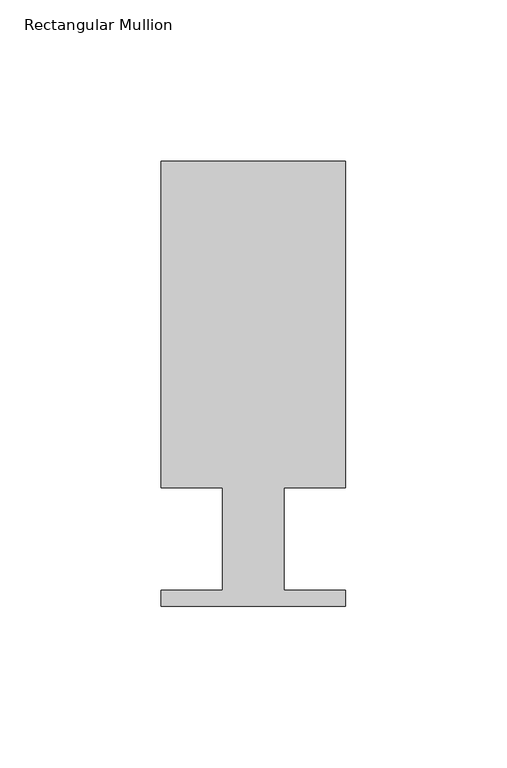
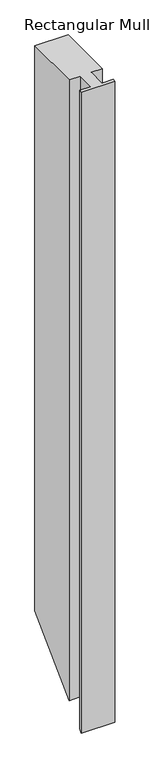
"""IFC4 building model written with IfcOpenShell, lengths in millimetres: member geometry, Rectangular Mullion."""

from ifc_helpers import new_model, si_unit, origin, place, context, project, spatial, faceted_brep, source, transform, mapped, element, save


def rectangular_mullion_84c6f045(model_context):
    return source(origin(), model_context, "Body", "Brep", [
        faceted_brep([(0.0, 138.3268125, 0.0), (-57.15, 138.3268125, 0.0), (-57.15, 37.1078125, 0.0), (-38.1, 37.1078125, 0.0), (-38.1, 5.3578125, 0.0), (-57.15, 5.3578125, 0.0), (-57.15, 0.5318125, 0.0), (0.0, 0.5318125, 0.0), (0.0, 5.3578125, 0.0), (-19.05, 5.3578125, 0.0), (-19.05, 37.1078125, 0.0), (0.0, 37.1078125, 0.0), (0.0, 138.3268125, -1022.7270312), (-57.15, 138.3268125, -1022.7270312), (-57.15, 37.1078125, -1123.9460312), (-38.1, 37.1078125, -1123.9460312), (-38.1, 5.3578125, -1155.6960312), (-57.15, 5.3578125, -1155.6960312), (-57.15, 0.5318125, -1160.5220312), (0.0, 0.5318125, -1160.5220312), (0.0, 5.3578125, -1155.6960312), (-19.05, 5.3578125, -1155.6960312), (-19.05, 37.1078125, -1123.9460312), (0.0, 37.1078125, -1123.9460312)], [[[0, 1, 2, 3, 4, 5, 6, 7, 8, 9, 10, 11]], [[1, 0, 12, 13]], [[2, 1, 13, 14]], [[3, 2, 14, 15]], [[4, 3, 15, 16]], [[5, 4, 16, 17]], [[6, 5, 17, 18]], [[7, 6, 18, 19]], [[8, 7, 19, 20]], [[9, 8, 20, 21]], [[10, 9, 21, 22]], [[11, 10, 22, 23]], [[0, 11, 23, 12]], [[12, 23, 22, 21, 20, 19, 18, 17, 16, 15, 14, 13]]]),
    ])


if __name__ == "__main__":
    model = new_model("IFC4")
    model_context = context("Model", 3, world=origin())
    ifc_project = project(units=[si_unit("LENGTHUNIT", "METRE", prefix="MILLI")], contexts=[model_context])
    site = spatial("IfcSite", under=ifc_project)
    building = spatial("IfcBuilding", under=site)
    placement = place(None, origin())
    rectangular_mullion_shape = rectangular_mullion_84c6f045(model_context)
    element("IfcMember", 1, ObjectType="Rectangular Mullion", at=placement, inside=building, context=model_context, shape_type="MappedRepresentation", body=[
        mapped(rectangular_mullion_shape, transform((0.0, 0.0, 0.0), x_axis=(1.0, 0.0, 0.0), y_axis=(0.0, 1.0, 0.0), z_axis=(0.0, 0.0, 1.0))),
    ])
    save(model, "model.ifc")
